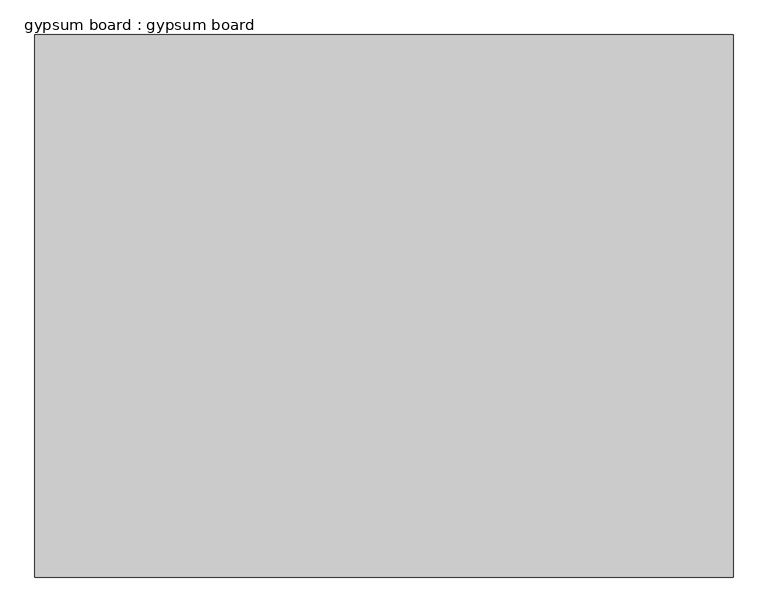
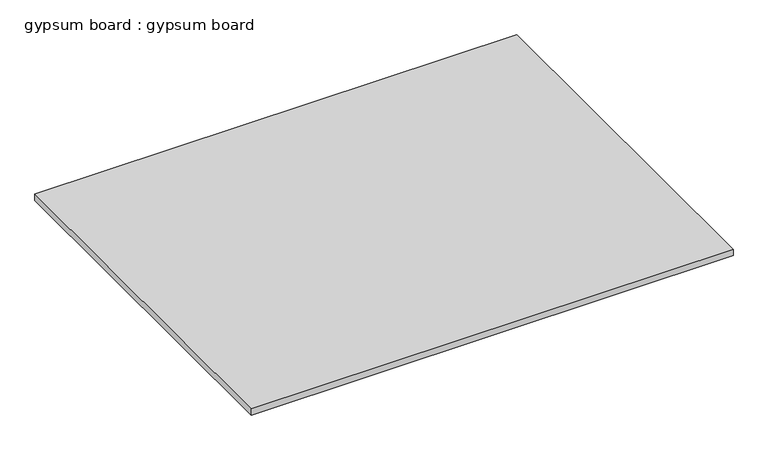
"""IFC4 building model written with IfcOpenShell, lengths in millimetres: proxy geometry, gypsum board : gypsum board."""

import ifcopenshell
import ifcopenshell.guid

model = None  # the IFC model being written
_history = None  # IfcOwnerHistory: only IFC2X3 demands one
_inside = {}  # id of a spatial element -> (the spatial element, [elements in it])
_under = {}  # id of a project, library or spatial element -> (it, [spatial elements below it])
_declared = {}  # id of a project -> (the project, [libraries it declares])
_typed = {}  # id of a type object -> (the type object, [elements of that type])
_made_of = {}  # id of a material, layer set ... -> (it, [elements and type objects made of it])


def new_model(schema):
    """Start an empty IFC model of exactly this schema.

    Asked for "IFC4X3", IfcOpenShell would pick the latest addendum, in which some entities
    have other attributes; the version numbers below select the first issue.
    IFC2X3 requires an IfcOwnerHistory on every rooted entity: one is made here for all.
    """
    global model, _history
    if schema == "IFC4X3":
        model = ifcopenshell.file(schema_version=(4, 3, 0, 0))
    else:
        model = ifcopenshell.file(schema=schema)
    _inside.clear()
    _under.clear()
    _declared.clear()
    _typed.clear()
    _made_of.clear()
    _history = None
    if model.schema == "IFC2X3":
        org = make("IfcOrganization", Name="unknown")
        user = make(
            "IfcPersonAndOrganization",
            ThePerson=make("IfcPerson", FamilyName="unknown"),
            TheOrganization=org,
        )
        app = make(
            "IfcApplication",
            ApplicationDeveloper=org,
            Version="unknown",
            ApplicationFullName="unknown",
            ApplicationIdentifier="unknown",
        )
        _history = make(
            "IfcOwnerHistory",
            OwningUser=user,
            OwningApplication=app,
            ChangeAction="ADDED",
            CreationDate=0,
        )
    return model


def make(cls, **values):
    """One entity of the class cls with the attributes given. An attribute that is None is left unset."""
    return model.create_entity(
        cls, **{name: value for name, value in values.items() if value is not None}
    )


def rooted(cls, **values):
    """An entity with a GlobalId (a new one), such as an element, a storey or a relation."""
    return make(cls, GlobalId=ifcopenshell.guid.new(), OwnerHistory=_history, **values)


def si_unit(unit_type, name, prefix=None):
    """IfcSIUnit, for example si_unit("LENGTHUNIT", "METRE", prefix="MILLI")."""
    return make("IfcSIUnit", UnitType=unit_type, Prefix=prefix, Name=name)


def assignment(units):
    """IfcUnitAssignment: the units of a project."""
    return None if units is None else make("IfcUnitAssignment", Units=units)


def point(xyz):
    """IfcCartesianPoint."""
    return None if xyz is None else make("IfcCartesianPoint", Coordinates=xyz)


def direction(xyz):
    """IfcDirection."""
    return None if xyz is None else make("IfcDirection", DirectionRatios=xyz)


def frame(location, z_axis=None, x_axis=None):
    """IfcAxis2Placement3D, a coordinate frame: its origin and axes. An axis left out is left unset."""
    return make(
        "IfcAxis2Placement3D",
        Location=point(location),
        Axis=direction(z_axis),
        RefDirection=direction(x_axis),
    )


def origin():
    """The frame at (0, 0, 0) with its axes left unset."""
    return frame((0.0, 0.0, 0.0))


def place(relative_to, where):
    """IfcLocalPlacement: puts the frame where relative to a parent placement (None: the world)."""
    return make(
        "IfcLocalPlacement", PlacementRelTo=relative_to, RelativePlacement=where
    )


def context(
    kind, dimensions, precision=None, world=None, true_north=None, identifier=None
):
    """IfcGeometricRepresentationContext, for example the 3D "Model" context."""
    return make(
        "IfcGeometricRepresentationContext",
        ContextIdentifier=identifier,
        ContextType=kind,
        CoordinateSpaceDimension=dimensions,
        Precision=precision,
        WorldCoordinateSystem=world,
        TrueNorth=true_north,
    )


def project(units=None, contexts=None):
    """IfcProject with its units and contexts."""
    return rooted(
        "IfcProject",
        Name="project",
        RepresentationContexts=contexts,
        UnitsInContext=assignment(units),
    )


def spatial(cls, under=None, at=None, **own):
    """A site, building, storey or space (cls), placed at a placement, below another one or the project."""
    s = rooted(cls, ObjectPlacement=at, **own)
    if under is not None:
        _under.setdefault(under.id(), (under, []))[1].append(s)
    return s


def polyline(points):
    """IfcPolyline through the points."""
    return make("IfcPolyline", Points=[point(p) for p in points])


def outline(outer, holes=None, kind="AREA"):
    """IfcArbitraryClosedProfileDef: a profile drawn as a closed curve; with holes, ...WithVoids."""
    if holes is None:
        return make("IfcArbitraryClosedProfileDef", ProfileType=kind, OuterCurve=outer)
    return make(
        "IfcArbitraryProfileDefWithVoids",
        ProfileType=kind,
        OuterCurve=outer,
        InnerCurves=holes,
    )


def extrude(swept, where, along, depth):
    """IfcExtrudedAreaSolid: the profile swept, set in the frame where, extruded along a direction by depth."""
    return make(
        "IfcExtrudedAreaSolid",
        SweptArea=swept,
        Position=where,
        ExtrudedDirection=direction(along),
        Depth=depth,
    )


def shape(context_of_items, identifier, shape_type, items):
    """IfcShapeRepresentation: the items that make up one representation, for example the "Body"."""
    return make(
        "IfcShapeRepresentation",
        ContextOfItems=context_of_items,
        RepresentationIdentifier=identifier,
        RepresentationType=shape_type,
        Items=items,
    )


def source(mapping_origin, context_of_items, identifier, shape_type, items):
    """IfcRepresentationMap: a shape defined once, which mapped items show again and again."""
    return make(
        "IfcRepresentationMap",
        MappingOrigin=mapping_origin,
        MappedRepresentation=shape(context_of_items, identifier, shape_type, items),
    )


def transform(
    local_origin,
    x_axis=None,
    y_axis=None,
    z_axis=None,
    scale=None,
    scale2=None,
    scale3=None,
    uniform=True,
):
    """IfcCartesianTransformationOperator3D, or its non-uniform kind. x_axis, y_axis, z_axis: its Axis1, 2, 3."""
    if uniform:
        return make(
            "IfcCartesianTransformationOperator3D",
            Axis1=direction(x_axis),
            Axis2=direction(y_axis),
            LocalOrigin=point(local_origin),
            Scale=scale,
            Axis3=direction(z_axis),
        )
    return make(
        "IfcCartesianTransformationOperator3DnonUniform",
        Axis1=direction(x_axis),
        Axis2=direction(y_axis),
        LocalOrigin=point(local_origin),
        Scale=scale,
        Axis3=direction(z_axis),
        Scale2=scale2,
        Scale3=scale3,
    )


def mapped(mapping_source, mapping_target):
    """IfcMappedItem: shows the shape of a source again, moved by a transform."""
    return make(
        "IfcMappedItem", MappingSource=mapping_source, MappingTarget=mapping_target
    )


def made_of(thing, what):
    """Note that an element or type object is made of a material, layer set ...; save() writes the relation."""
    if what is not None:
        _made_of.setdefault(what.id(), (what, []))[1].append(thing)
    return thing


def element(
    cls,
    number,
    at=None,
    inside=None,
    cuts=None,
    type_object=None,
    material=None,
    context=None,
    identifier="Body",
    shape_type=None,
    held_by="IfcProductDefinitionShape",
    body=None,
    shapes=None,
    **own,
):
    """One element of the class cls, such as IfcWall. Its Tag is "e" and its number.

    at: its placement. inside: the storey or other place that contains it. cuts: it is an
    opening in that element (IfcRelVoidsElement). A single representation is given by context,
    identifier, shape_type and body (its items); several are given by shapes. held_by: the class
    of the entity that holds the representations. save() writes the other relations.
    """
    e = rooted(cls, Tag="e%d" % number, ObjectPlacement=at, **own)
    if body is not None:
        shapes = [shape(context, identifier, shape_type, body)]
    if shapes is not None:
        e.Representation = make(held_by, Representations=shapes)
    if inside is not None:
        _inside.setdefault(inside.id(), (inside, []))[1].append(e)
    if cuts is not None:
        rooted(
            "IfcRelVoidsElement", RelatingBuildingElement=cuts, RelatedOpeningElement=e
        )
    if type_object is not None:
        _typed.setdefault(type_object.id(), (type_object, []))[1].append(e)
    return made_of(e, material)


def aggregate(whole, parts):
    """IfcRelAggregates: a whole, such as a stair, and the parts it consists of."""
    return rooted("IfcRelAggregates", RelatingObject=whole, RelatedObjects=parts)


def save(model, path):
    """Write the relations noted so far, then the file.

    IfcRelAggregates (storeys below a building ...), IfcRelContainedInSpatialStructure (elements
    in a storey), IfcRelDefinesByType, IfcRelAssociatesMaterial and IfcRelDeclares: one each for
    every whole, place, type object, material and project.
    """
    for whole, parts in _under.values():
        aggregate(whole, parts)
    for where, things in _inside.values():
        rooted(
            "IfcRelContainedInSpatialStructure",
            RelatedElements=things,
            RelatingStructure=where,
        )
    for kind, things in _typed.values():
        rooted("IfcRelDefinesByType", RelatedObjects=things, RelatingType=kind)
    for what, things in _made_of.values():
        rooted("IfcRelAssociatesMaterial", RelatedObjects=things, RelatingMaterial=what)
    for by, libraries in _declared.values():
        rooted("IfcRelDeclares", RelatingContext=by, RelatedDefinitions=libraries)
    model.write(path)


def gypsum_board_gypsum_board_161f9443(model_context):
    return source(origin(), model_context, "Body", "SweptSolid", [
        extrude(outline(polyline([(35810.8342495, -24281.9529946), (36987.2539063, -24281.9529946), (36987.2539063, -25196.3529946), (35810.8342495, -25196.3529946), (35810.8342495, -24281.9529946)])), frame((0.0, 0.0, 2581.275), z_axis=(0.0, 0.0, 1.0), x_axis=(1.0, 0.0, 0.0)), (0.0, 0.0, 1.0), 15.875),
    ])


if __name__ == "__main__":
    model = new_model("IFC4")
    model_context = context("Model", 3, world=origin())
    ifc_project = project(units=[si_unit("LENGTHUNIT", "METRE", prefix="MILLI")], contexts=[model_context])
    site = spatial("IfcSite", under=ifc_project)
    building = spatial("IfcBuilding", under=site)
    placement = place(None, origin())
    gypsum_board_gypsum_board_shape = gypsum_board_gypsum_board_161f9443(model_context)
    element("IfcBuildingElementProxy", 1, Name="gypsum board : gypsum board", ObjectType="gypsum board : gypsum board", at=placement, inside=building, context=model_context, shape_type="MappedRepresentation", body=[
        mapped(gypsum_board_gypsum_board_shape, transform((0.0, 0.0, 0.0), x_axis=(1.0, 0.0, 0.0), y_axis=(0.0, 1.0, 0.0), z_axis=(0.0, 0.0, 1.0))),
    ])
    save(model, "model.ifc")
